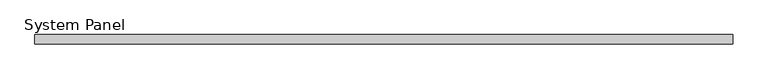
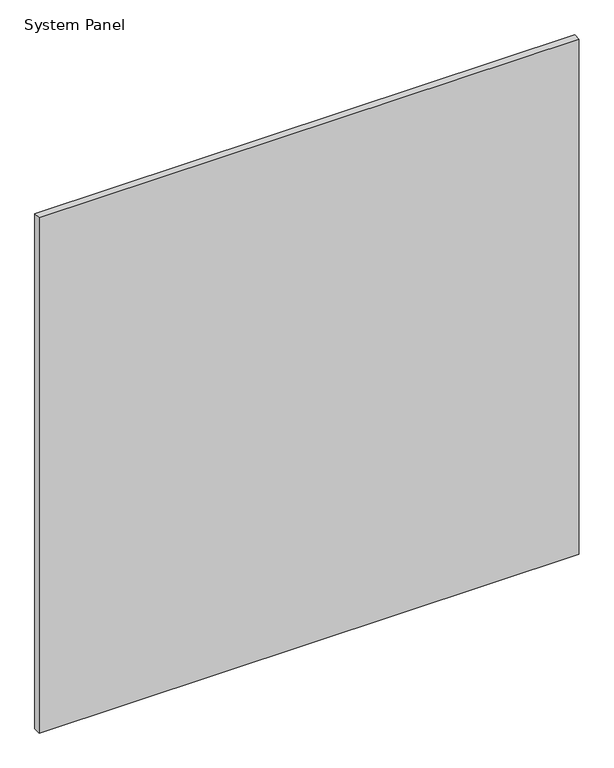
"""IFC4 building model written with IfcOpenShell, lengths in millimetres: plate geometry, System Panel."""

from ifc_helpers import new_model, si_unit, origin, origin_with_axes, place, context, project, spatial, polyline, outline, extrude, source, transform, mapped, element, save


def system_panel_209d30f8(model_context):
    return source(origin(), model_context, "Body", "SweptSolid", [
        extrude(outline(polyline([(595.0, -8.0), (-595.0, -8.0), (-595.0, 8.0), (595.0, 8.0), (595.0, -8.0)])), origin_with_axes(), (0.0, 0.0, 1.0), 1200.0),
    ])


if __name__ == "__main__":
    model = new_model("IFC4")
    model_context = context("Model", 3, world=origin())
    ifc_project = project(units=[si_unit("LENGTHUNIT", "METRE", prefix="MILLI")], contexts=[model_context])
    site = spatial("IfcSite", under=ifc_project)
    building = spatial("IfcBuilding", under=site)
    placement = place(None, origin())
    system_panel_shape = system_panel_209d30f8(model_context)
    element("IfcPlate", 1, ObjectType="System Panel", at=placement, inside=building, context=model_context, shape_type="MappedRepresentation", body=[
        mapped(system_panel_shape, transform((0.0, 0.0, 0.0), x_axis=(1.0, 0.0, 0.0), y_axis=(0.0, 1.0, 0.0), z_axis=(0.0, 0.0, 1.0))),
    ])
    save(model, "model.ifc")
